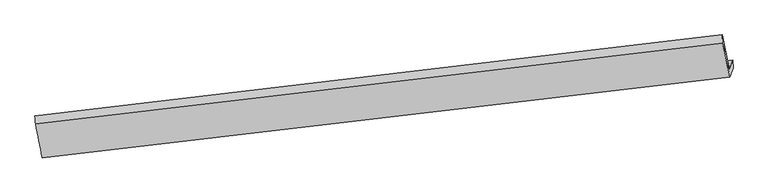
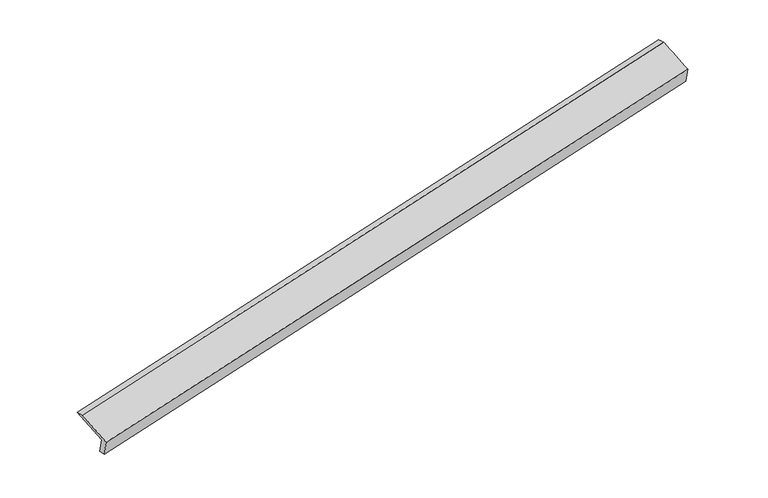
"""IFC4 building model written with IfcOpenShell, lengths in millimetres: proxy geometry."""

from ifc_helpers import new_model, si_unit, frame, origin, place, context, project, spatial, source, transform, mapped, element, save
from ifc_brep_helpers import plane_surface, spline_surface, advanced_brep


def generic_models_ec20b251(model_context):
    return source(origin(), model_context, "Body", "AdvancedBrep", [
        advanced_brep(
        [(-9768.0503081, -2366.8492644, 80.0618149), (-9832.5709651, -2541.471579, 482.5742452), (4149.545267, -888.891765, 3421.4387666), (4215.5208047, -710.33188, 3009.8500562), (-9755.0501316, -2519.2987363, 101.6876395), (4226.4534954, -870.5569241, 3049.8066494), (-9821.7948939, -2699.9404938, 518.0751615), (4159.7087331, -1051.1986816, 3466.1941714), (-9958.864972, -2013.1311149, 794.062643), (4017.8903379, -364.9506195, 3741.1770058), (-9971.1667951, -1847.0172004, 761.6337934), (4006.1482655, -195.0049513, 3699.4824847)],
        [
            (0, 1),
            (1, 2),
            (2, 3),
            (3, 0),
            (4, 0),
            (3, 5),
            (5, 4),
            (6, 4),
            (5, 7),
            (7, 6),
            (8, 6),
            (7, 9),
            (9, 8),
            (10, 8),
            (9, 11),
            (11, 10),
            (1, 10),
            (11, 2),
        ],
        [
            plane_surface(frame((-9800.3106366, -2454.1604217, 281.31803), z_axis=(-0.18474231230330834, 0.9120656600250479, 0.3660689960211068), x_axis=(-0.14548806796471989, -0.39375704383759996, 0.9076280143914508))),
            spline_surface(1, 1, [[(-9755.0501316, -2519.2987363, 101.6876395), (4226.4534954, -870.5569241, 3049.8066494)], [(-9768.0503081, -2366.8492644, 80.0618149), (4215.5208047, -710.33188, 3009.8500562)]], [2, 2], [2, 2], [0.0, 1.0], [0.0, 1.0]),
            plane_surface(frame((-9788.4225127, -2609.619615, 309.8814005), z_axis=(0.18474234242321236, -0.9120656564793187, -0.36606898965486545), x_axis=(0.1454880679648258, 0.3937570438376717, -0.9076280143914026))),
            spline_surface(1, 1, [[(-9958.864972, -2013.1311149, 794.062643), (4017.8903379, -364.9506195, 3741.1770058)], [(-9821.7948939, -2699.9404938, 518.0751615), (4159.7087331, -1051.1986816, 3466.1941714)]], [2, 2], [2, 2], [0.0, 1.0], [0.0, 1.0]),
            spline_surface(1, 1, [[(-9971.1667951, -1847.0172004, 761.6337934), (4006.1482655, -195.0049513, 3699.4824847)], [(-9958.864972, -2013.1311149, 794.062643), (4017.8903379, -364.9506195, 3741.1770058)]], [2, 2], [2, 2], [0.0, 1.0], [0.0, 1.0]),
            spline_surface(1, 1, [[(-9832.5709651, -2541.471579, 482.5742452), (4149.545267, -888.891765, 3421.4387666)], [(-9971.1667951, -1847.0172004, 761.6337934), (4006.1482655, -195.0049513, 3699.4824847)]], [2, 2], [2, 2], [0.0, 1.0], [0.0, 1.0]),
            plane_surface(frame((4129.2111506, -680.1558036, 3397.9915223), z_axis=(0.9712571800198752, 0.11784674000219117, 0.20681304632613395), x_axis=(0.18839509637912155, -0.9116290563047662, -0.3652940614918108))),
            plane_surface(frame((-9851.2496776, -2331.2847315, 456.3492163), z_axis=(-0.9724594759689427, -0.11192745126410297, -0.20443779800157194), x_axis=(0.14548806796471095, 0.39375704383760285, -0.9076280143914509))),
        ],
        [
            (0, [[1, 2, 3, 4]]),
            (1, [[5, -4, 6, 7]]),
            (2, [[8, -7, 9, 10]]),
            (3, [[11, -10, 12, 13]]),
            (4, [[14, -13, 15, 16]]),
            (5, [[17, -16, 18, -2]]),
            (6, [[-12, -9, -6, -3, -18, -15]]),
            (7, [[-1, -5, -8, -11, -14, -17]]),
        ],
    ),
    ])


if __name__ == "__main__":
    model = new_model("IFC4")
    model_context = context("Model", 3, world=origin())
    ifc_project = project(units=[si_unit("LENGTHUNIT", "METRE", prefix="MILLI")], contexts=[model_context])
    site = spatial("IfcSite", under=ifc_project)
    building = spatial("IfcBuilding", under=site)
    placement = place(None, origin())
    generic_models_shape = generic_models_ec20b251(model_context)
    element("IfcBuildingElementProxy", 1, Name="Generic Models", at=placement, inside=building, context=model_context, shape_type="MappedRepresentation", body=[
        mapped(generic_models_shape, transform((0.0, 0.0, 0.0), x_axis=(1.0, 0.0, 0.0), y_axis=(0.0, 1.0, 0.0), z_axis=(0.0, 0.0, 1.0))),
    ])
    save(model, "model.ifc")
